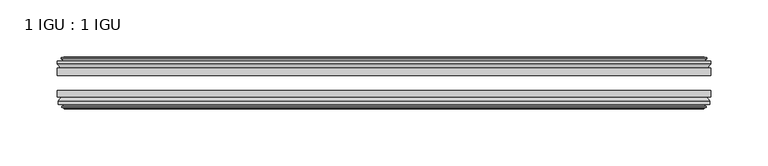
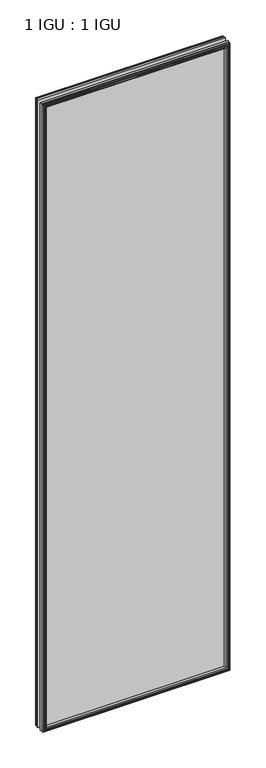
"""IFC4 building model written with IfcOpenShell, lengths in millimetres: plate geometry, 1 IGU : 1 IGU."""

from ifc_helpers import new_model, si_unit, frame, origin, place, context, project, spatial, polyline, outline, extrude, faceted_brep, source, transform, mapped, element, save


def plate_1_igu_1_igu_b061a9a2(model_context):
    return source(origin(), model_context, "Body", "SolidModel", [
        extrude(outline(polyline([(285.7499997, -25.8960937), (285.7499997, -32.2460938), (-285.7499997, -32.2460938), (-285.7499997, -25.8960937), (285.7499997, -25.8960937)])), frame((0.0, 0.0, -12.7), z_axis=(0.0, 0.0, 1.0), x_axis=(1.0, 0.0, 0.0)), (0.0, 0.0, 1.0), 2019.3),
        extrude(outline(polyline([(-285.7499997, -51.2960938), (-285.7499997, -45.2686737), (285.7499997, -45.2686737), (285.7499997, -51.2960938), (-285.7499997, -51.2960938)])), frame((0.0, 0.0, -12.7), z_axis=(0.0, 0.0, 1.0), x_axis=(1.0, 0.0, 0.0)), (0.0, 0.0, 1.0), 2019.3),
        faceted_brep([(-280.1619997, -60.0262907, 2001.012), (-280.5429997, -57.6460937, 2001.393), (-280.5429997, -57.6460937, -7.493), (-280.1619997, -60.0262907, -7.112), (-281.5775287, -59.5663575, 2002.4275291), (-281.5775287, -59.5663575, -8.5275291), (-281.5775287, -60.3675717, 2002.4275291), (-281.5775287, -60.3675717, -8.5275291), (-279.3999997, -61.0750937, 2000.25), (-279.3999997, -61.0750937, -6.35), (-277.2224706, -60.3675717, 1998.072471), (-277.2224706, -60.3675717, -4.1724709), (-277.2224706, -59.5663575, 1998.072471), (-277.2224706, -59.5663575, -4.1724709), (-278.6379997, -60.0262907, 1999.488), (-278.6379997, -60.0262907, -5.588), (-278.2569997, -57.6460937, 1999.107), (-278.2569997, -57.6460937, -5.207), (-271.3322816, -51.2960937, 1992.1822819), (-273.0499997, -57.6460937, 1993.9), (-273.0499997, -57.6460937, 0.0), (-271.3322816, -51.2960937, 1.7177181), (-284.9879997, -54.6996937, 2005.838), (-282.1536575, -51.2960937, 2003.0036578), (-282.1536575, -51.2960937, -9.1036578), (-284.9879997, -54.6996937, -11.938), (-284.9879997, -57.6460937, 2005.838), (-284.9879997, -57.6460937, -11.938), (280.5429997, -57.6460938, -7.493), (280.1619997, -60.0262907, -7.112), (281.5775287, -59.5663575, -8.5275291), (281.5775287, -60.3675717, -8.5275291), (279.3999997, -61.0750937, -6.35), (277.2224706, -60.3675717, -4.1724709), (277.2224706, -59.5663575, -4.1724709), (278.6379997, -60.0262907, -5.588), (278.2569997, -57.6460937, -5.207), (273.0499997, -57.6460937, 0.0), (271.3322816, -51.2960937, 1.7177181), (282.1536575, -51.2960937, -9.1036578), (284.9879997, -54.6996937, -11.938), (284.9879997, -57.6460938, -11.938), (280.5429997, -57.6460938, 2001.393), (280.1619997, -60.0262907, 2001.012), (281.5775287, -59.5663575, 2002.4275291), (281.5775287, -60.3675717, 2002.4275291), (279.3999997, -61.0750937, 2000.25), (277.2224706, -60.3675717, 1998.072471), (277.2224706, -59.5663575, 1998.072471), (278.6379997, -60.0262907, 1999.488), (278.2569997, -57.6460937, 1999.107), (273.0499997, -57.6460937, 1993.9), (271.3322816, -51.2960937, 1992.1822819), (282.1536575, -51.2960937, 2003.0036578), (284.9879997, -54.6996937, 2005.838), (284.9879997, -57.6460938, 2005.838)], [[[0, 1, 2, 3]], [[4, 0, 3, 5]], [[6, 4, 5, 7]], [[8, 6, 7, 9]], [[10, 8, 9, 11]], [[12, 10, 11, 13]], [[14, 12, 13, 15]], [[16, 14, 15, 17]], [[18, 19, 20, 21]], [[22, 23, 24, 25]], [[26, 22, 25, 27]], [[3, 2, 28, 29]], [[5, 3, 29, 30]], [[7, 5, 30, 31]], [[9, 7, 31, 32]], [[11, 9, 32, 33]], [[13, 11, 33, 34]], [[15, 13, 34, 35]], [[17, 15, 35, 36]], [[21, 20, 37, 38]], [[25, 24, 39, 40]], [[27, 25, 40, 41]], [[29, 28, 42, 43]], [[30, 29, 43, 44]], [[31, 30, 44, 45]], [[32, 31, 45, 46]], [[33, 32, 46, 47]], [[34, 33, 47, 48]], [[35, 34, 48, 49]], [[36, 35, 49, 50]], [[38, 37, 51, 52]], [[40, 39, 53, 54]], [[41, 40, 54, 55]], [[27, 41, 55, 26], [1, 42, 28, 2]], [[43, 42, 1, 0]], [[44, 43, 0, 4]], [[45, 44, 4, 6]], [[46, 45, 6, 8]], [[47, 46, 8, 10]], [[48, 47, 10, 12]], [[49, 48, 12, 14]], [[50, 49, 14, 16]], [[17, 36, 50, 16], [19, 51, 37, 20]], [[52, 51, 19, 18]], [[23, 53, 39, 24], [21, 38, 52, 18]], [[54, 53, 23, 22]], [[55, 54, 22, 26]]]),
        faceted_brep([(-282.6743575, -25.8960937, 2003.5243578), (-285.5086997, -22.4924937, 2006.3587), (-285.5086997, -22.4924937, -12.4587), (-282.6743575, -25.8960937, -9.6243578), (-273.5706997, -19.5460937, 1994.4207), (-271.8529816, -25.8960937, 1992.7029819), (-271.8529816, -25.8960937, 1.1970181), (-273.5706997, -19.5460937, -0.5207), (-279.1586997, -17.1658968, 2000.0087), (-278.7776997, -19.5460937, 1999.6277), (-278.7776997, -19.5460937, -5.7277), (-279.1586997, -17.1658968, -6.1087), (-277.7431706, -17.62583, 1998.593171), (-277.7431706, -17.62583, -4.6931709), (-277.7431706, -16.8246158, 1998.593171), (-277.7431706, -16.8246158, -4.6931709), (-279.9206997, -16.1170937, 2000.7707), (-279.9206997, -16.1170937, -6.8707), (-282.0982287, -16.8246158, 2002.9482291), (-282.0982287, -16.8246158, -9.0482291), (-282.0982287, -17.62583, 2002.9482291), (-282.0982287, -17.62583, -9.0482291), (-280.6826997, -17.1658968, 2001.5327), (-280.6826997, -17.1658968, -7.6327), (-281.0636997, -19.5460937, 2001.9137), (-281.0636997, -19.5460937, -8.0137), (-285.5086997, -19.5460937, 2006.3587), (-285.5086997, -19.5460937, -12.4587), (285.5086997, -22.4924937, -12.4587), (282.6743575, -25.8960937, -9.6243578), (271.8529816, -25.8960937, 1.1970181), (273.5706997, -19.5460937, -0.5207), (278.7776997, -19.5460937, -5.7277), (279.1586997, -17.1658968, -6.1087), (277.7431706, -17.62583, -4.6931709), (277.7431706, -16.8246158, -4.6931709), (279.9206997, -16.1170937, -6.8707), (282.0982287, -16.8246158, -9.0482291), (282.0982287, -17.62583, -9.0482291), (280.6826997, -17.1658968, -7.6327), (281.0636997, -19.5460937, -8.0137), (285.5086997, -19.5460937, -12.4587), (285.5086997, -22.4924937, 2006.3587), (282.6743575, -25.8960937, 2003.5243578), (271.8529816, -25.8960937, 1992.7029819), (273.5706997, -19.5460937, 1994.4207), (278.7776997, -19.5460937, 1999.6277), (279.1586997, -17.1658968, 2000.0087), (277.7431706, -17.62583, 1998.593171), (277.7431706, -16.8246158, 1998.593171), (279.9206997, -16.1170937, 2000.7707), (282.0982287, -16.8246158, 2002.9482291), (282.0982287, -17.62583, 2002.9482291), (280.6826997, -17.1658968, 2001.5327), (281.0636997, -19.5460937, 2001.9137), (285.5086997, -19.5460937, 2006.3587)], [[[0, 1, 2, 3]], [[4, 5, 6, 7]], [[8, 9, 10, 11]], [[12, 8, 11, 13]], [[14, 12, 13, 15]], [[16, 14, 15, 17]], [[18, 16, 17, 19]], [[20, 18, 19, 21]], [[22, 20, 21, 23]], [[24, 22, 23, 25]], [[1, 26, 27, 2]], [[3, 2, 28, 29]], [[7, 6, 30, 31]], [[11, 10, 32, 33]], [[13, 11, 33, 34]], [[15, 13, 34, 35]], [[17, 15, 35, 36]], [[19, 17, 36, 37]], [[21, 19, 37, 38]], [[23, 21, 38, 39]], [[25, 23, 39, 40]], [[2, 27, 41, 28]], [[29, 28, 42, 43]], [[31, 30, 44, 45]], [[33, 32, 46, 47]], [[34, 33, 47, 48]], [[35, 34, 48, 49]], [[36, 35, 49, 50]], [[37, 36, 50, 51]], [[38, 37, 51, 52]], [[39, 38, 52, 53]], [[40, 39, 53, 54]], [[28, 41, 55, 42]], [[43, 42, 1, 0]], [[3, 29, 43, 0], [5, 44, 30, 6]], [[45, 44, 5, 4]], [[9, 46, 32, 10], [7, 31, 45, 4]], [[47, 46, 9, 8]], [[48, 47, 8, 12]], [[49, 48, 12, 14]], [[50, 49, 14, 16]], [[51, 50, 16, 18]], [[52, 51, 18, 20]], [[53, 52, 20, 22]], [[54, 53, 22, 24]], [[26, 55, 41, 27], [25, 40, 54, 24]], [[42, 55, 26, 1]]]),
    ])


if __name__ == "__main__":
    model = new_model("IFC4")
    model_context = context("Model", 3, world=origin())
    ifc_project = project(units=[si_unit("LENGTHUNIT", "METRE", prefix="MILLI")], contexts=[model_context])
    site = spatial("IfcSite", under=ifc_project)
    building = spatial("IfcBuilding", under=site)
    placement = place(None, origin())
    plate_1_igu_1_igu_shape = plate_1_igu_1_igu_b061a9a2(model_context)
    element("IfcPlate", 1, ObjectType="1 IGU : 1 IGU", at=placement, inside=building, context=model_context, shape_type="MappedRepresentation", body=[
        mapped(plate_1_igu_1_igu_shape, transform((0.0, 0.0, 0.0), x_axis=(1.0, 0.0, 0.0), y_axis=(0.0, 1.0, 0.0), z_axis=(0.0, 0.0, 1.0))),
    ])
    save(model, "model.ifc")
